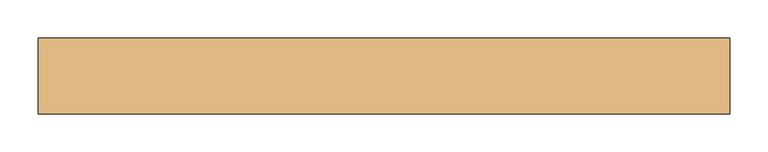
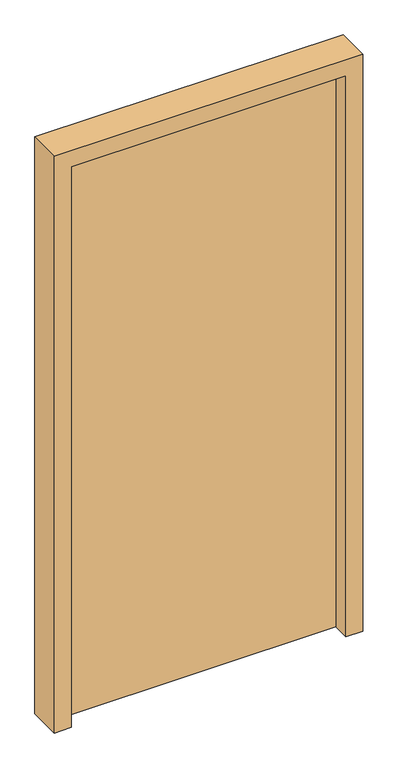
"""IFC4 building model written with IfcOpenShell, lengths in millimetres: door geometry."""

from ifc_helpers import new_model, si_unit, frame, origin, origin_with_axes, place, context, project, spatial, polyline, outline, extrude, source, transform, mapped, element, save


def door_237e380f(model_context):
    return source(origin(), model_context, "Body", "SweptSolid", [
        extrude(outline(polyline([(-405.0, 60.0), (405.0, 60.0), (405.0, 10.0), (-405.0, 10.0), (-405.0, 60.0)])), origin_with_axes(), (0.0, 0.0, 1.0), 1750.0),
        extrude(outline(polyline([(0.0, -455.0), (0.0, -405.0), (1750.0, -405.0), (1750.0, 405.0), (0.0, 405.0), (0.0, 455.0), (1800.0, 455.0), (1800.0, -455.0), (0.0, -455.0)])), frame((0.0, -40.0, 0.0), z_axis=(0.0, 1.0, 0.0), x_axis=(0.0, 0.0, 1.0)), (0.0, 0.0, 1.0), 100.0),
    ])


if __name__ == "__main__":
    model = new_model("IFC4")
    model_context = context("Model", 3, world=origin())
    ifc_project = project(units=[si_unit("LENGTHUNIT", "METRE", prefix="MILLI")], contexts=[model_context])
    site = spatial("IfcSite", under=ifc_project)
    building = spatial("IfcBuilding", under=site)
    placement = place(None, origin())
    door_shape = door_237e380f(model_context)
    element("IfcDoor", 1, at=placement, inside=building, context=model_context, shape_type="MappedRepresentation", body=[
        mapped(door_shape, transform((0.0, 0.0, 0.0), x_axis=(1.0, 0.0, 0.0), y_axis=(0.0, 1.0, 0.0), z_axis=(0.0, 0.0, 1.0))),
    ])
    save(model, "model.ifc")
